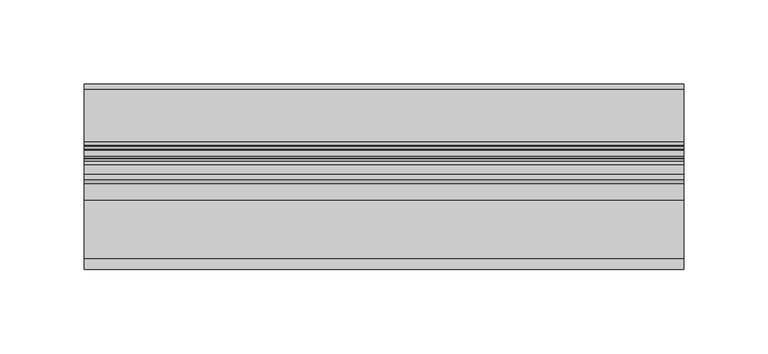
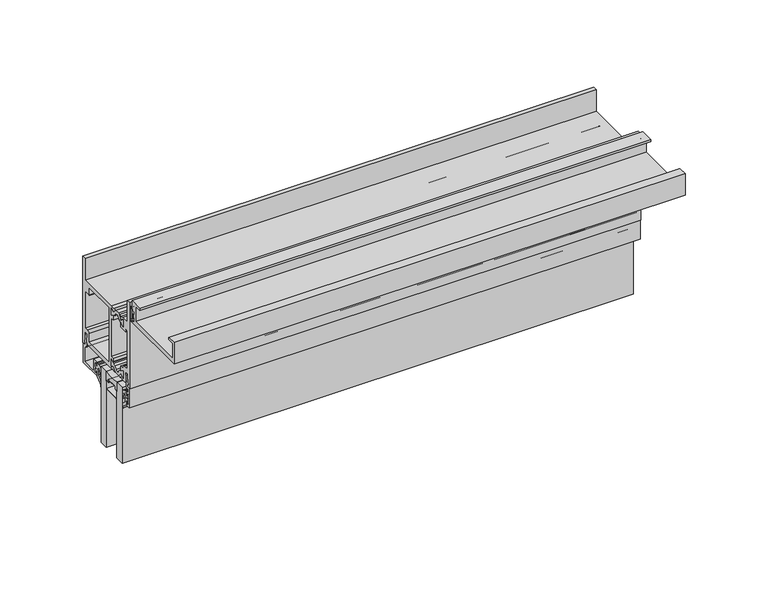
"""IFC4 building model written with IfcOpenShell, lengths in millimetres: plate geometry."""

from ifc_helpers import new_model, si_unit, point, frame, frame_2d, origin, place, context, project, spatial, polyline, circle_curve, trimmed, segment, composite_curve, outline, extrude, source, transform, mapped, element, save


def plate_1554f869(model_context):
    return source(origin(), model_context, "Body", "SweptSolid", [
        extrude(outline(composite_curve([segment(trimmed(circle_curve(frame_2d((-12.7, 252.348624)), 24.4943092), [point((-19.05, 228.6917289))], [point((-6.35, 228.6917289))], True, "CARTESIAN"), True, "CONTINUOUS"), segment(polyline([(-6.35, 228.6917289), (-6.35, 221.663957)]), True, "CONTINUOUS"), segment(trimmed(circle_curve(frame_2d((-7.14375, 221.663957)), 0.79375), [point((-6.35, 221.663957))], [point((-7.14375, 222.457707))], True, "CARTESIAN"), True, "CONTINUOUS"), segment(polyline([(-7.14375, 222.457707), (-8.3728775, 222.457707), (-8.3728775, 223.5556044)]), True, "CONTINUOUS"), segment(trimmed(circle_curve(frame_2d((-9.1666275, 223.5556044)), 0.79375), [point((-8.3728775, 223.5556044))], [point((-9.1666275, 224.3493544))], True, "CARTESIAN"), True, "CONTINUOUS"), segment(polyline([(-9.1666275, 224.3493544), (-16.2333725, 224.3493544)]), True, "CONTINUOUS"), segment(trimmed(circle_curve(frame_2d((-16.2333725, 223.5556044)), 0.79375), [point((-16.2333725, 224.3493544))], [point((-17.0271225, 223.5556044))], True, "CARTESIAN"), True, "CONTINUOUS"), segment(polyline([(-17.0271225, 223.5556044), (-17.0271225, 222.457707), (-18.25625, 222.457707)]), True, "CONTINUOUS"), segment(trimmed(circle_curve(frame_2d((-18.25625, 221.663957)), 0.79375), [point((-18.25625, 222.457707))], [point((-19.05, 221.663957))], True, "CARTESIAN"), True, "CONTINUOUS"), segment(polyline([(-19.05, 221.663957), (-19.05, 228.6917289)]), True, "CONTINUOUS")], self_intersect=False)), frame((-177.8, 0.0, 0.0), z_axis=(1.0, 0.0, 0.0), x_axis=(0.0, 1.0, 0.0)), (0.0, 0.0, 1.0), 355.6),
        extrude(outline(composite_curve([segment(trimmed(circle_curve(frame_2d((-23.1809622, 242.2374204)), 2.4892), [point((-24.4255622, 240.0817099))], [point((-23.5568194, 239.7767603))], True, "CARTESIAN"), True, "CONTINUOUS"), segment(trimmed(circle_curve(frame_2d((-23.9403472, 237.2658827)), 2.54), [point((-23.5568194, 239.7767603))], [point((-21.9860723, 238.8883529))], False, "CARTESIAN"), True, "CONTINUOUS"), segment(polyline([(-21.9860723, 238.8883529), (-20.6266866, 237.2509649)]), True, "CONTINUOUS"), segment(trimmed(circle_curve(frame_2d((-19.2977797, 238.3542447)), 1.7272), [point((-20.6266866, 237.2509649))], [point((-17.9688728, 237.2509649))], True, "CARTESIAN"), True, "CONTINUOUS"), segment(polyline([(-17.9688728, 237.2509649), (-16.6095134, 238.8883212)]), True, "CONTINUOUS"), segment(trimmed(circle_curve(frame_2d((-14.6552385, 237.2658509)), 2.54), [point((-16.6095134, 238.8883212))], [point((-15.0387663, 239.7767285))], False, "CARTESIAN"), True, "CONTINUOUS"), segment(trimmed(circle_curve(frame_2d((-15.4146236, 242.2373886)), 2.4892), [point((-15.0387663, 239.7767285))], [point((-14.1700236, 240.0816782))], True, "CARTESIAN"), True, "CONTINUOUS"), segment(polyline([(-14.1700236, 240.0816782), (-11.9953005, 241.3372551), (-11.9953005, 236.2412063), (-14.9359681, 237.8773974), (-17.566093, 234.7093966), (-21.029508, 234.7093966), (-23.6808354, 237.9029359), (-26.6003005, 235.8587044), (-26.6003005, 241.3372957), (-24.4255622, 240.0817099)]), True, "CONTINUOUS")], self_intersect=False)), frame((-177.8, 0.0, 0.0), z_axis=(1.0, 0.0, 0.0), x_axis=(0.0, 1.0, 0.0)), (0.0, 0.0, 1.0), 355.6),
        extrude(outline(composite_curve([segment(polyline([(-24.4255622, 275.1819988), (-26.6003005, 273.926413), (-26.6003005, 279.4050043), (-23.6808354, 277.3607728), (-21.029508, 280.5543121), (-17.566093, 280.5543121), (-14.9359681, 277.3863113), (-11.9953005, 279.0225024), (-11.9953005, 273.9264536), (-14.1700236, 275.1820305)]), True, "CONTINUOUS"), segment(trimmed(circle_curve(frame_2d((-15.4146236, 273.0263201)), 2.4892), [point((-14.1700236, 275.1820305))], [point((-15.0387663, 275.4869802))], True, "CARTESIAN"), True, "CONTINUOUS"), segment(trimmed(circle_curve(frame_2d((-14.6552385, 277.9978578)), 2.54), [point((-15.0387663, 275.4869802))], [point((-16.6095134, 276.3753875))], False, "CARTESIAN"), True, "CONTINUOUS"), segment(polyline([(-16.6095134, 276.3753875), (-17.9688728, 278.0127438)]), True, "CONTINUOUS"), segment(trimmed(circle_curve(frame_2d((-19.2977797, 276.909464)), 1.7272), [point((-17.9688728, 278.0127438))], [point((-20.6266866, 278.0127438))], True, "CARTESIAN"), True, "CONTINUOUS"), segment(polyline([(-20.6266866, 278.0127438), (-21.9860723, 276.3753558)]), True, "CONTINUOUS"), segment(trimmed(circle_curve(frame_2d((-23.9403472, 277.997826)), 2.54), [point((-21.9860723, 276.3753558))], [point((-23.5568194, 275.4869484))], False, "CARTESIAN"), True, "CONTINUOUS"), segment(trimmed(circle_curve(frame_2d((-23.1809622, 273.0262883)), 2.4892), [point((-23.5568194, 275.4869484))], [point((-24.4255622, 275.1819988))], True, "CARTESIAN"), True, "CONTINUOUS")], self_intersect=False)), frame((-177.8, 0.0, 0.0), z_axis=(1.0, 0.0, 0.0), x_axis=(0.0, 1.0, 0.0)), (0.0, 0.0, 1.0), 355.6),
        extrude(outline(composite_curve([segment(polyline([(-34.9514484, 293.1066499), (-34.9514484, 285.1817967)]), True, "CONTINUOUS"), segment(trimmed(circle_curve(frame_2d((-36.1452484, 285.1817967)), 1.1938), [point((-34.9514484, 285.1817967))], [point((-37.3390484, 285.1817967))], False, "CARTESIAN"), True, "CONTINUOUS"), segment(polyline([(-37.3390484, 285.1817967), (-37.3390484, 287.1879153), (-38.31675, 287.1879153), (-38.31675, 285.7147153), (-39.2186484, 285.7147153), (-39.2186484, 287.5689153), (-37.7962484, 287.5689153), (-37.7962484, 290.7185153), (-39.2186484, 290.7185153), (-39.2186484, 292.5727153), (-38.31675, 292.5727153), (-38.31675, 291.0995153), (-37.3390484, 291.0995153), (-37.3390484, 293.1066499)]), True, "CONTINUOUS"), segment(trimmed(circle_curve(frame_2d((-36.1452484, 293.1066499)), 1.1938), [point((-37.3390484, 293.1066499))], [point((-34.9514484, 293.1066499))], False, "CARTESIAN"), True, "CONTINUOUS")], self_intersect=False), holes=[composite_curve([segment(trimmed(circle_curve(frame_2d((-36.1452484, 293.1066499)), 0.6858), [point((-35.4594484, 293.1066499))], [point((-36.8310484, 293.1066499))], True, "CARTESIAN"), True, "CONTINUOUS"), segment(polyline([(-36.8310484, 293.1066499), (-36.8310484, 285.1817967)]), True, "CONTINUOUS"), segment(trimmed(circle_curve(frame_2d((-36.1452484, 285.1817967)), 0.6858), [point((-36.8310484, 285.1817967))], [point((-35.4594484, 285.1817967))], True, "CARTESIAN"), True, "CONTINUOUS"), segment(polyline([(-35.4594484, 285.1817967), (-35.4594484, 293.1066499)]), True, "CONTINUOUS")], self_intersect=False)]), frame((-177.8, 0.0, 0.0), z_axis=(1.0, 0.0, 0.0), x_axis=(0.0, 1.0, 0.0)), (0.0, 0.0, 1.0), 355.6),
        extrude(outline(polyline([(-177.8, -6.35), (-177.8, 0.0), (177.8, 0.0), (177.8, -6.35), (-177.8, -6.35)])), frame((0.0, 0.0, 172.6847153), z_axis=(0.0, 0.0, 1.0), x_axis=(1.0, 0.0, 0.0)), (0.0, 0.0, 1.0), 56.0070136),
        extrude(outline(polyline([(-177.8, -25.4), (-177.8, -19.05), (177.8, -19.05), (177.8, -25.4), (-177.8, -25.4)])), frame((0.0, 0.0, 172.6847153), z_axis=(0.0, 0.0, 1.0), x_axis=(1.0, 0.0, 0.0)), (0.0, 0.0, 1.0), 56.0070136),
        extrude(outline(composite_curve([segment(polyline([(1.2146236, 217.7547881), (3.6195019, 220.0298082), (3.6195019, 223.3964394)]), True, "CONTINUOUS"), segment(trimmed(circle_curve(frame_2d((3.9370017, 223.7514153)), 0.47625), [point((3.6195019, 223.3964394))], [point((3.619501, 224.1063905))], True, "CARTESIAN"), True, "CONTINUOUS"), segment(polyline([(3.619501, 224.1063905), (3.619501, 225.6894264)]), True, "CONTINUOUS"), segment(trimmed(circle_curve(frame_2d((3.1116463, 224.2840488)), 1.4943235), [point((3.619501, 225.6894264))], [point((1.6174209, 224.301171))], True, "CARTESIAN"), True, "CONTINUOUS"), segment(polyline([(1.6174209, 224.301171), (0.5798898, 220.9663861)]), True, "CONTINUOUS"), segment(trimmed(circle_curve(frame_2d((0.2963183, 221.0546119)), 0.2969791), [point((0.5798898, 220.9663861))], [point((0.0, 221.0348119))], False, "CARTESIAN"), True, "CONTINUOUS"), segment(polyline([(0.0, 221.0348119), (0.0, 225.0824819)]), True, "CONTINUOUS"), segment(trimmed(circle_curve(frame_2d((2.8819649, 225.2349635)), 2.8859959), [point((0.0, 225.0824819))], [point((2.7993723, 228.1197774))], False, "CARTESIAN"), True, "CONTINUOUS"), segment(polyline([(2.7993723, 228.1197774), (3.619501, 228.1432578), (4.7625003, 228.1432578), (4.7625003, 225.2246164), (6.1341013, 225.2246164), (6.1341013, 226.5374454)]), True, "CONTINUOUS"), segment(trimmed(circle_curve(frame_2d((6.4896997, 226.8248149)), 0.4571996), [point((6.1341013, 226.5374454))], [point((6.9468994, 226.8248149))], False, "CARTESIAN"), True, "CONTINUOUS"), segment(polyline([(6.9468994, 226.8248149), (6.9468994, 224.7570221)]), True, "CONTINUOUS"), segment(trimmed(circle_curve(frame_2d((6.4706494, 224.7065795)), 0.4789139), [point((6.9468994, 224.7570221))], [point((6.4706494, 224.2276656))], False, "CARTESIAN"), True, "CONTINUOUS"), segment(trimmed(circle_curve(frame_2d((6.4706494, 223.7514156)), 0.47625), [point((6.4706494, 224.2276656))], [point((6.4706494, 223.2751656))], True, "CARTESIAN"), True, "CONTINUOUS"), segment(trimmed(circle_curve(frame_2d((6.3248962, 222.6704806)), 0.6220032), [point((6.4706494, 223.2751656))], [point((6.9468994, 222.6704806))], False, "CARTESIAN"), True, "CONTINUOUS"), segment(polyline([(6.9468994, 222.6704806), (6.9468994, 220.6780162)]), True, "CONTINUOUS"), segment(trimmed(circle_curve(frame_2d((6.4896997, 220.6780162)), 0.4571996), [point((6.9468994, 220.6780162))], [point((6.134102, 220.9653866))], False, "CARTESIAN"), True, "CONTINUOUS"), segment(polyline([(6.134102, 220.9653866), (6.134102, 222.2782299), (4.7625003, 222.2782299), (4.7625003, 218.4065425), (1.4889495, 215.9053304)]), True, "CONTINUOUS"), segment(trimmed(circle_curve(frame_2d((3.0879023, 213.93243)), 2.5394854), [point((1.4889495, 215.9053304))], [point((0.5496136, 213.8544755))], True, "CARTESIAN"), True, "CONTINUOUS"), segment(trimmed(circle_curve(frame_2d((0.2748716, 213.8460377)), 0.2748716), [point((0.5496136, 213.8544755))], [point((0.0, 213.8460377))], False, "CARTESIAN"), True, "CONTINUOUS"), segment(polyline([(0.0, 213.8460377), (0.0, 215.5592614)]), True, "CONTINUOUS"), segment(trimmed(circle_curve(frame_2d((3.0412561, 215.3105023)), 3.0514128), [point((0.0, 215.5592614))], [point((1.2146236, 217.7547881))], False, "CARTESIAN"), True, "CONTINUOUS")], self_intersect=False)), frame((-177.8, 0.0, 0.0), z_axis=(1.0, 0.0, 0.0), x_axis=(0.0, 1.0, 0.0)), (0.0, 0.0, 1.0), 355.6),
        extrude(outline(composite_curve([segment(trimmed(circle_curve(frame_2d((-28.4412561, 215.3105023)), 3.0514128), [point((-26.6146236, 217.7547881))], [point((-25.4, 215.5592614))], False, "CARTESIAN"), True, "CONTINUOUS"), segment(polyline([(-25.4, 215.5592614), (-25.4, 213.8460377)]), True, "CONTINUOUS"), segment(trimmed(circle_curve(frame_2d((-25.6748716, 213.8460377)), 0.2748716), [point((-25.4, 213.8460377))], [point((-25.9496136, 213.8544755))], False, "CARTESIAN"), True, "CONTINUOUS"), segment(trimmed(circle_curve(frame_2d((-28.4879023, 213.93243)), 2.5394854), [point((-25.9496136, 213.8544755))], [point((-26.8889495, 215.9053304))], True, "CARTESIAN"), True, "CONTINUOUS"), segment(polyline([(-26.8889495, 215.9053304), (-30.1625003, 218.4065425), (-30.1625003, 222.2782299), (-31.534102, 222.2782299), (-31.534102, 220.9653866)]), True, "CONTINUOUS"), segment(trimmed(circle_curve(frame_2d((-31.8896997, 220.6780162)), 0.4571996), [point((-31.534102, 220.9653866))], [point((-32.3468994, 220.6780162))], False, "CARTESIAN"), True, "CONTINUOUS"), segment(polyline([(-32.3468994, 220.6780162), (-32.3468994, 222.6704806)]), True, "CONTINUOUS"), segment(trimmed(circle_curve(frame_2d((-31.7248962, 222.6704806)), 0.6220032), [point((-32.3468994, 222.6704806))], [point((-31.8706494, 223.2751656))], False, "CARTESIAN"), True, "CONTINUOUS"), segment(trimmed(circle_curve(frame_2d((-31.8706494, 223.7514156)), 0.47625), [point((-31.8706494, 223.2751656))], [point((-31.8706494, 224.2276656))], True, "CARTESIAN"), True, "CONTINUOUS"), segment(trimmed(circle_curve(frame_2d((-31.8706494, 224.7065795)), 0.4789139), [point((-31.8706494, 224.2276656))], [point((-32.3468994, 224.7570221))], False, "CARTESIAN"), True, "CONTINUOUS"), segment(polyline([(-32.3468994, 224.7570221), (-32.3468994, 226.8248149)]), True, "CONTINUOUS"), segment(trimmed(circle_curve(frame_2d((-31.8896997, 226.8248149)), 0.4571996), [point((-32.3468994, 226.8248149))], [point((-31.5341013, 226.5374454))], False, "CARTESIAN"), True, "CONTINUOUS"), segment(polyline([(-31.5341013, 226.5374454), (-31.5341013, 225.2246164), (-30.1625, 225.2246164), (-30.1625, 228.1432578), (-29.019501, 228.1432578), (-28.1993723, 228.1197774)]), True, "CONTINUOUS"), segment(trimmed(circle_curve(frame_2d((-28.2819649, 225.2349635)), 2.8859959), [point((-28.1993723, 228.1197774))], [point((-25.4, 225.0824819))], False, "CARTESIAN"), True, "CONTINUOUS"), segment(polyline([(-25.4, 225.0824819), (-25.4, 221.0348119)]), True, "CONTINUOUS"), segment(trimmed(circle_curve(frame_2d((-25.6963183, 221.0546119)), 0.2969791), [point((-25.4, 221.0348119))], [point((-25.9798898, 220.9663861))], False, "CARTESIAN"), True, "CONTINUOUS"), segment(polyline([(-25.9798898, 220.9663861), (-27.0174209, 224.301171)]), True, "CONTINUOUS"), segment(trimmed(circle_curve(frame_2d((-28.5116463, 224.2840488)), 1.4943235), [point((-27.0174209, 224.301171))], [point((-29.019501, 225.6894264))], True, "CARTESIAN"), True, "CONTINUOUS"), segment(polyline([(-29.019501, 225.6894264), (-29.019501, 224.1063905)]), True, "CONTINUOUS"), segment(trimmed(circle_curve(frame_2d((-29.3370017, 223.7514153)), 0.47625), [point((-29.019501, 224.1063905))], [point((-29.0195019, 223.3964394))], True, "CARTESIAN"), True, "CONTINUOUS"), segment(polyline([(-29.0195019, 223.3964394), (-29.0195019, 220.0298082), (-26.6146236, 217.7547881)]), True, "CONTINUOUS")], self_intersect=False)), frame((-177.8, 0.0, 0.0), z_axis=(1.0, 0.0, 0.0), x_axis=(0.0, 1.0, 0.0)), (0.0, 0.0, 1.0), 355.6),
        extrude(outline(composite_curve([segment(trimmed(circle_curve(frame_2d((19.0500001, 234.7414348)), 1.4732), [point((17.5768001, 234.7414348))], [point((18.2080195, 235.9503131))], False, "CARTESIAN"), True, "CONTINUOUS"), segment(polyline([(18.2080195, 235.9503131), (17.0960031, 242.0744148), (18.4105948, 242.0744148), (19.7607074, 234.6405968), (18.9879884, 234.7500377), (18.9879884, 233.0353133), (21.4376001, 232.9050148), (21.4376001, 218.6302148), (4.9022001, 218.6302148), (4.7752001, 220.6622148)]), True, "CONTINUOUS"), segment(trimmed(circle_curve(frame_2d((5.5881395, 220.6621578)), 0.8129393), [point((4.7752001, 220.6622148))], [point((5.7899301, 221.4496544))], False, "CARTESIAN"), True, "CONTINUOUS"), segment(polyline([(5.7899301, 221.4496544), (5.7899301, 219.9002148), (7.1628001, 219.9002148), (7.1628001, 227.3932148), (5.7899301, 227.3932148), (5.7899301, 225.8437751)]), True, "CONTINUOUS"), segment(trimmed(circle_curve(frame_2d((5.5881398, 226.6312721)), 0.8129397), [point((5.7899301, 225.8437751))], [point((4.7752001, 226.6312721))], False, "CARTESIAN"), True, "CONTINUOUS"), segment(polyline([(4.7752001, 226.6312721), (4.7752001, 228.6632148), (8.7376001, 228.6632148), (8.7376001, 220.1034148), (19.9644001, 220.1034148), (19.9644001, 231.5588148), (19.0500001, 231.5588148)]), True, "CONTINUOUS"), segment(trimmed(circle_curve(frame_2d((19.0500001, 233.0320148)), 1.4732), [point((19.0500001, 231.5588148))], [point((17.5768001, 233.0320148))], False, "CARTESIAN"), True, "CONTINUOUS"), segment(polyline([(17.5768001, 233.0320148), (17.5768001, 234.7414348)]), True, "CONTINUOUS")], self_intersect=False)), frame((-177.8, 0.0, 0.0), z_axis=(1.0, 0.0, 0.0), x_axis=(0.0, 1.0, 0.0)), (0.0, 0.0, 1.0), 355.6),
        extrude(outline(composite_curve([segment(polyline([(-8.3728775, 223.5556044), (-8.3728775, 222.457707), (-7.14375, 222.457707)]), True, "CONTINUOUS"), segment(trimmed(circle_curve(frame_2d((-7.14375, 221.663957)), 0.79375), [point((-7.14375, 222.457707))], [point((-6.35, 221.663957))], False, "CARTESIAN"), True, "CONTINUOUS"), segment(polyline([(-6.35, 221.663957), (-6.35, 216.7854789)]), True, "CONTINUOUS"), segment(trimmed(circle_curve(frame_2d((-7.14375, 216.7854789)), 0.79375), [point((-6.35, 216.7854789))], [point((-7.14375, 215.9917289))], False, "CARTESIAN"), True, "CONTINUOUS"), segment(polyline([(-7.14375, 215.9917289), (-18.25625, 215.9917289)]), True, "CONTINUOUS"), segment(trimmed(circle_curve(frame_2d((-18.25625, 216.7854789)), 0.79375), [point((-18.25625, 215.9917289))], [point((-19.05, 216.7854789))], False, "CARTESIAN"), True, "CONTINUOUS"), segment(polyline([(-19.05, 216.7854789), (-19.05, 221.663957)]), True, "CONTINUOUS"), segment(trimmed(circle_curve(frame_2d((-18.25625, 221.663957)), 0.79375), [point((-19.05, 221.663957))], [point((-18.25625, 222.457707))], False, "CARTESIAN"), True, "CONTINUOUS"), segment(polyline([(-18.25625, 222.457707), (-17.0271225, 222.457707), (-17.0271225, 223.5556044)]), True, "CONTINUOUS"), segment(trimmed(circle_curve(frame_2d((-16.2333725, 223.5556044)), 0.79375), [point((-17.0271225, 223.5556044))], [point((-16.2333725, 224.3493544))], False, "CARTESIAN"), True, "CONTINUOUS"), segment(polyline([(-16.2333725, 224.3493544), (-9.1666275, 224.3493544)]), True, "CONTINUOUS"), segment(trimmed(circle_curve(frame_2d((-9.1666275, 223.5556044)), 0.79375), [point((-9.1666275, 224.3493544))], [point((-8.3728775, 223.5556044))], False, "CARTESIAN"), True, "CONTINUOUS")], self_intersect=False), holes=[composite_curve([segment(polyline([(-16.5191225, 223.8413544), (-16.5191225, 222.743457)]), True, "CONTINUOUS"), segment(trimmed(circle_curve(frame_2d((-17.3128725, 222.743457)), 0.79375), [point((-16.5191225, 222.743457))], [point((-17.3128725, 221.949707))], False, "CARTESIAN"), True, "CONTINUOUS"), segment(polyline([(-17.3128725, 221.949707), (-18.542, 221.949707), (-18.542, 216.4997289), (-6.858, 216.4997289), (-6.858, 221.949707), (-8.0871275, 221.949707)]), True, "CONTINUOUS"), segment(trimmed(circle_curve(frame_2d((-8.0871275, 222.743457)), 0.79375), [point((-8.0871275, 221.949707))], [point((-8.8808775, 222.743457))], False, "CARTESIAN"), True, "CONTINUOUS"), segment(polyline([(-8.8808775, 222.743457), (-8.8808775, 223.8413544), (-16.5191225, 223.8413544)]), True, "CONTINUOUS")], self_intersect=False)]), frame((-177.8, 0.0, 0.0), z_axis=(1.0, 0.0, 0.0), x_axis=(0.0, 1.0, 0.0)), (0.0, 0.0, 1.0), 355.6),
        extrude(outline(composite_curve([segment(polyline([(-34.1276564, 218.7349153), (-34.0673249, 232.9997986), (-31.6471876, 232.9997986), (-31.6471876, 234.631996), (-32.4372227, 234.5209638), (-31.0981976, 241.9539199), (-29.8175355, 241.8307794), (-30.9128526, 235.7506519)]), True, "CONTINUOUS"), segment(trimmed(circle_curve(frame_2d((-31.7464064, 234.5359477)), 1.4732), [point((-30.9128526, 235.7506519))], [point((-30.2732064, 234.5359477))], False, "CARTESIAN"), True, "CONTINUOUS"), segment(polyline([(-30.2732064, 234.5359477), (-30.2732064, 233.0224153)]), True, "CONTINUOUS"), segment(trimmed(circle_curve(frame_2d((-31.7464064, 233.0224153)), 1.4732), [point((-30.2732064, 233.0224153))], [point((-31.7464064, 231.5492153))], False, "CARTESIAN"), True, "CONTINUOUS"), segment(polyline([(-31.7464064, 231.5492153), (-32.6544564, 231.5492153), (-32.6544564, 228.7679153), (-30.1589064, 228.7679153), (-30.1589064, 226.7486153)]), True, "CONTINUOUS"), segment(trimmed(circle_curve(frame_2d((-30.9717064, 226.7486153)), 0.8128), [point((-30.1589064, 226.7486153))], [point((-31.1749064, 225.9616251))], False, "CARTESIAN"), True, "CONTINUOUS"), segment(polyline([(-31.1749064, 225.9616251), (-31.1749064, 227.4979153), (-32.5401564, 227.4979153), (-32.5401564, 220.0049153), (-31.1749064, 220.0049153), (-31.1749064, 221.5666055)]), True, "CONTINUOUS"), segment(trimmed(circle_curve(frame_2d((-30.9717064, 220.7796153)), 0.8128), [point((-31.1749064, 221.5666055))], [point((-30.1589064, 220.7796153))], False, "CARTESIAN"), True, "CONTINUOUS"), segment(polyline([(-30.1589064, 220.7796153), (-30.2859064, 218.7349153), (-34.1276564, 218.7349153)]), True, "CONTINUOUS")], self_intersect=False)), frame((-177.8, 0.0, 0.0), z_axis=(1.0, 0.0, 0.0), x_axis=(0.0, 1.0, 0.0)), (0.0, 0.0, 1.0), 355.6),
        extrude(outline(composite_curve([segment(trimmed(circle_curve(frame_2d((19.0500001, 234.7414348)), 1.4732), [point((17.5768001, 234.7414348))], [point((18.2080195, 235.9503131))], False, "CARTESIAN"), True, "CONTINUOUS"), segment(polyline([(18.2080195, 235.9503131), (17.0960031, 242.0744148), (18.4105948, 242.0744148), (19.7607074, 234.6405968), (18.9879884, 234.7500377), (18.9879884, 233.0353133), (21.4376001, 232.9050148), (21.4376001, 218.6302148), (4.9022001, 218.6302148), (4.7752001, 220.6622148)]), True, "CONTINUOUS"), segment(trimmed(circle_curve(frame_2d((5.5881395, 220.6621578)), 0.8129393), [point((4.7752001, 220.6622148))], [point((5.7899301, 221.4496544))], False, "CARTESIAN"), True, "CONTINUOUS"), segment(polyline([(5.7899301, 221.4496544), (5.7899301, 219.9002148), (7.1628001, 219.9002148), (7.1628001, 227.3932148), (5.7899301, 227.3932148), (5.7899301, 225.8437751)]), True, "CONTINUOUS"), segment(trimmed(circle_curve(frame_2d((5.5881398, 226.6312721)), 0.8129397), [point((5.7899301, 225.8437751))], [point((4.7752001, 226.6312721))], False, "CARTESIAN"), True, "CONTINUOUS"), segment(polyline([(4.7752001, 226.6312721), (4.7752001, 228.6632148), (8.7376001, 228.6632148), (8.7376001, 220.1034148), (19.9644001, 220.1034148), (19.9644001, 231.5588148), (19.0500001, 231.5588148)]), True, "CONTINUOUS"), segment(trimmed(circle_curve(frame_2d((19.0500001, 233.0320148)), 1.4732), [point((19.0500001, 231.5588148))], [point((17.5768001, 233.0320148))], False, "CARTESIAN"), True, "CONTINUOUS"), segment(polyline([(17.5768001, 233.0320148), (17.5768001, 234.7414348)]), True, "CONTINUOUS")], self_intersect=False)), frame((-177.8, 0.0, 0.0), z_axis=(1.0, 0.0, 0.0), x_axis=(0.0, 1.0, 0.0)), (0.0, 0.0, 1.0), 355.6),
        extrude(outline(composite_curve([segment(trimmed(circle_curve(frame_2d((-37.73499, 291.8615153)), 0.4318), [point((-37.30319, 291.8615153))], [point((-38.1346289, 292.0250391))], False, "CARTESIAN"), True, "CONTINUOUS"), segment(trimmed(circle_curve(frame_2d((-38.7116898, 292.2611602)), 0.6235002), [point((-38.1346289, 292.0250391))], [point((-39.33519, 292.2611602))], True, "CARTESIAN"), True, "CONTINUOUS"), segment(polyline([(-39.33519, 292.2611602), (-39.33519, 285.9687153)]), True, "CONTINUOUS"), segment(trimmed(circle_curve(frame_2d((-38.7222466, 286.0627884)), 0.6201205), [point((-39.33519, 285.9687153))], [point((-38.1402463, 286.2768563))], True, "CARTESIAN"), True, "CONTINUOUS"), segment(trimmed(circle_curve(frame_2d((-37.73499, 286.4259153)), 0.4318), [point((-38.1402463, 286.2768563))], [point((-37.30319, 286.4259153))], False, "CARTESIAN"), True, "CONTINUOUS"), segment(polyline([(-37.30319, 286.4259153), (-37.30319, 284.5971153)]), True, "CONTINUOUS"), segment(trimmed(circle_curve(frame_2d((-38.09059, 284.5971153)), 0.7874), [point((-37.30319, 284.5971153))], [point((-38.09059, 283.8097153))], False, "CARTESIAN"), True, "CONTINUOUS"), segment(polyline([(-38.09059, 283.8097153), (-88.1032275, 283.8097153), (-88.1032275, 299.6847153), (-81.7532275, 299.5739713), (-81.7532275, 298.1099153), (-86.5284275, 298.1099153), (-86.5284275, 286.9847153), (-41.5196275, 286.9847153), (-41.5196275, 298.1099153), (-46.8282275, 298.1099153), (-46.8282275, 299.5183453), (-37.30319, 299.6847153), (-37.30319, 291.8615153)]), True, "CONTINUOUS")], self_intersect=False)), frame((-177.8, 0.0, 0.0), z_axis=(1.0, 0.0, 0.0), x_axis=(0.0, 1.0, 0.0)), (0.0, 0.0, 1.0), 355.6),
        extrude(outline(composite_curve([segment(polyline([(19.0500001, 280.6474153), (19.0500001, 296.5224153), (21.8948001, 296.5224153), (21.8948001, 233.0224153), (19.0500001, 233.0224153), (19.0500001, 234.2924153), (19.862795, 234.2924153), (19.4499993, 242.5220153), (17.0688001, 242.5220153), (17.0688001, 236.1910934)]), True, "CONTINUOUS"), segment(trimmed(circle_curve(frame_2d((15.4940001, 236.1910934)), 1.5748), [point((17.0688001, 236.1910934))], [point((15.4940001, 234.6162934))], False, "CARTESIAN"), True, "CONTINUOUS"), segment(polyline([(15.4940001, 234.6162934), (-12.4616861, 234.6162934), (-14.6792966, 235.2105003), (-15.283713, 234.707152)]), True, "CONTINUOUS"), segment(trimmed(circle_curve(frame_2d((-15.8690069, 235.287496)), 0.8242378), [point((-15.283713, 234.707152))], [point((-16.5466491, 235.7567177))], False, "CARTESIAN"), True, "CONTINUOUS"), segment(polyline([(-16.5466491, 235.7567177), (-15.8444381, 236.7708392), (-14.1842071, 237.500107), (-12.9464135, 236.3561103)]), True, "CONTINUOUS"), segment(trimmed(circle_curve(frame_2d((-12.3966681, 236.5800475)), 0.5936058), [point((-12.9464135, 236.3561103))], [point((-11.8030624, 236.5800475))], True, "CARTESIAN"), True, "CONTINUOUS"), segment(polyline([(-11.8030624, 236.5800475), (-11.8030624, 241.6113576), (-14.8259799, 241.1722604), (-14.8259799, 243.3199966), (-12.4078999, 243.3199966), (-12.4078999, 271.9437121), (-14.8259799, 271.9437121), (-14.8259799, 274.8939851), (-12.0014999, 274.4837121), (-12.0014999, 278.6836612)]), True, "CONTINUOUS"), segment(trimmed(circle_curve(frame_2d((-12.5951057, 278.6836612)), 0.5936058), [point((-12.0014999, 278.6836612))], [point((-13.1887114, 278.6836612))], True, "CARTESIAN"), True, "CONTINUOUS"), segment(polyline([(-13.1887114, 278.6836612), (-14.1842071, 277.7636016), (-15.8444381, 278.4928695), (-16.5466491, 279.506991)]), True, "CONTINUOUS"), segment(trimmed(circle_curve(frame_2d((-15.8690069, 279.9762127)), 0.8242378), [point((-16.5466491, 279.506991))], [point((-15.283713, 280.5565566))], False, "CARTESIAN"), True, "CONTINUOUS"), segment(polyline([(-15.283713, 280.5565566), (-14.6792966, 280.0532084), (-12.4616861, 280.6474153), (19.0500001, 280.6474153)]), True, "CONTINUOUS")], self_intersect=False), holes=[composite_curve([segment(trimmed(circle_curve(frame_2d((15.0876001, 272.7311121)), 0.7874), [point((15.0876001, 271.9437121))], [point((14.3002001, 272.7311121))], False, "CARTESIAN"), True, "CONTINUOUS"), segment(polyline([(14.3002001, 272.7311121), (14.3002001, 277.4724153), (-9.2328999, 277.4724153), (-9.2328999, 237.7912934), (14.3002001, 237.7912934), (14.3002001, 244.1222153)]), True, "CONTINUOUS"), segment(trimmed(circle_curve(frame_2d((15.8750001, 244.1222153)), 1.5748), [point((14.3002001, 244.1222153))], [point((15.8750001, 245.6970153))], False, "CARTESIAN"), True, "CONTINUOUS"), segment(polyline([(15.8750001, 245.6970153), (18.7198001, 245.6970153), (18.7198001, 271.9437121), (15.0876001, 271.9437121)]), True, "CONTINUOUS")], self_intersect=False)]), frame((-177.8, 0.0, 0.0), z_axis=(1.0, 0.0, 0.0), x_axis=(0.0, 1.0, 0.0)), (0.0, 0.0, 1.0), 355.6),
        extrude(outline(composite_curve([segment(polyline([(-23.7820199, 239.8550278), (-26.6064999, 241.4857421), (-26.6064999, 236.5918521)]), True, "CONTINUOUS"), segment(trimmed(circle_curve(frame_2d((-26.0984998, 236.5918521)), 0.508), [point((-26.6064999, 236.5918521))], [point((-26.0926066, 236.0838862))], True, "CARTESIAN"), True, "CONTINUOUS"), segment(polyline([(-26.0926066, 236.0838862), (-24.4021052, 237.5023853), (-22.7635618, 236.7826438), (-21.9926524, 235.6693093), (-21.9926524, 234.6280979), (-23.1924006, 234.6280979), (-23.8073259, 235.2430233), (-26.146241, 234.6163129), (-28.1861634, 234.6163129)]), True, "CONTINUOUS"), segment(trimmed(circle_curve(frame_2d((-28.1939999, 236.1910934)), 1.5748), [point((-28.1861634, 234.6163129))], [point((-29.7687999, 236.1910934))], False, "CARTESIAN"), True, "CONTINUOUS"), segment(polyline([(-29.7687999, 236.1910934), (-29.7687999, 242.5220153), (-32.1499991, 242.5220153), (-32.5627999, 234.2924153), (-31.7499999, 234.2924153), (-31.7499999, 233.0224153), (-34.5947999, 233.0224153), (-34.5947999, 296.5224153), (-31.7499999, 296.5224153), (-31.7499999, 280.6474153), (-26.1463137, 280.6474153), (-23.9287032, 280.0532084), (-22.4438438, 280.6474153), (-21.9101175, 279.7229743), (-22.7675508, 278.4984326), (-24.238078, 277.7465668), (-26.6064998, 279.4049536), (-26.6064998, 273.7897712), (-23.7820198, 275.4204855), (-23.7820198, 271.9437121), (-29.7698572, 271.9437121), (-29.7698572, 273.4424337)]), True, "CONTINUOUS"), segment(trimmed(circle_curve(frame_2d((-30.5958838, 273.4424337)), 0.8260266), [point((-29.7698572, 273.4424337))], [point((-31.4219104, 273.4424337))], True, "CARTESIAN"), True, "CONTINUOUS"), segment(polyline([(-31.4219104, 273.4424337), (-31.4219104, 245.6970153), (-28.1685999, 245.6970153)]), True, "CONTINUOUS"), segment(trimmed(circle_curve(frame_2d((-28.1685999, 244.1222153)), 1.5748), [point((-28.1685999, 245.6970153))], [point((-26.8134467, 243.3199966))], False, "CARTESIAN"), True, "CONTINUOUS"), segment(polyline([(-26.8134467, 243.3199966), (-23.7820199, 243.3199966), (-23.7820199, 239.8550278)]), True, "CONTINUOUS")], self_intersect=False)), frame((-177.8, 0.0, 0.0), z_axis=(1.0, 0.0, 0.0), x_axis=(0.0, 1.0, 0.0)), (0.0, 0.0, 1.0), 355.6),
        extrude(outline(composite_curve([segment(trimmed(circle_curve(frame_2d((-23.1809622, 242.2374204)), 2.4892), [point((-24.4255622, 240.0817099))], [point((-23.5568194, 239.7767603))], True, "CARTESIAN"), True, "CONTINUOUS"), segment(trimmed(circle_curve(frame_2d((-23.9403472, 237.2658827)), 2.54), [point((-23.5568194, 239.7767603))], [point((-21.9860723, 238.8883529))], False, "CARTESIAN"), True, "CONTINUOUS"), segment(polyline([(-21.9860723, 238.8883529), (-20.6266866, 237.2509649)]), True, "CONTINUOUS"), segment(trimmed(circle_curve(frame_2d((-19.2977797, 238.3542447)), 1.7272), [point((-20.6266866, 237.2509649))], [point((-17.9688728, 237.2509649))], True, "CARTESIAN"), True, "CONTINUOUS"), segment(polyline([(-17.9688728, 237.2509649), (-16.6095134, 238.8883212)]), True, "CONTINUOUS"), segment(trimmed(circle_curve(frame_2d((-14.6552385, 237.2658509)), 2.54), [point((-16.6095134, 238.8883212))], [point((-15.0387663, 239.7767285))], False, "CARTESIAN"), True, "CONTINUOUS"), segment(trimmed(circle_curve(frame_2d((-15.4146236, 242.2373886)), 2.4892), [point((-15.0387663, 239.7767285))], [point((-14.1700236, 240.0816782))], True, "CARTESIAN"), True, "CONTINUOUS"), segment(polyline([(-14.1700236, 240.0816782), (-11.9953005, 241.3372551), (-11.9953005, 236.2412063), (-14.9359681, 237.8773974), (-17.566093, 234.7093966), (-21.029508, 234.7093966), (-23.6808354, 237.9029359), (-26.6003005, 235.8587044), (-26.6003005, 241.3372957), (-24.4255622, 240.0817099)]), True, "CONTINUOUS")], self_intersect=False)), frame((-177.8, 0.0, 0.0), z_axis=(1.0, 0.0, 0.0), x_axis=(0.0, 1.0, 0.0)), (0.0, 0.0, 1.0), 355.6),
        extrude(outline(composite_curve([segment(polyline([(-24.4237926, 275.0952127), (-26.6064999, 273.8807516), (-26.6064999, 278.9273785), (-23.6747435, 277.2347282), (-21.0357074, 280.4134626), (-17.5722923, 280.4134626), (-14.9421674, 277.2454618), (-12.1999374, 278.771242), (-12.1999374, 274.3678166), (-14.1197627, 275.2068338)]), True, "CONTINUOUS"), segment(trimmed(circle_curve(frame_2d((-15.3643627, 273.0511234)), 2.4892), [point((-14.1197627, 275.2068338))], [point((-14.9885054, 275.5117834))], True, "CARTESIAN"), True, "CONTINUOUS"), segment(trimmed(circle_curve(frame_2d((-14.6049777, 278.0226611)), 2.54), [point((-14.9885054, 275.5117834))], [point((-16.5592525, 276.4001908))], False, "CARTESIAN"), True, "CONTINUOUS"), segment(polyline([(-16.5592525, 276.4001908), (-17.8965359, 278.0109564)]), True, "CONTINUOUS"), segment(trimmed(circle_curve(frame_2d((-19.2254428, 276.9076766)), 1.7272), [point((-17.8965359, 278.0109564))], [point((-20.5543497, 278.0109564))], True, "CARTESIAN"), True, "CONTINUOUS"), segment(polyline([(-20.5543497, 278.0109564), (-21.9843027, 276.2885697)]), True, "CONTINUOUS"), segment(trimmed(circle_curve(frame_2d((-23.9385776, 277.91104)), 2.54), [point((-21.9843027, 276.2885697))], [point((-23.5550498, 275.4001623))], False, "CARTESIAN"), True, "CONTINUOUS"), segment(trimmed(circle_curve(frame_2d((-23.1791926, 272.9395023)), 2.4892), [point((-23.5550498, 275.4001623))], [point((-24.4237926, 275.0952127))], True, "CARTESIAN"), True, "CONTINUOUS")], self_intersect=False)), frame((-177.8, 0.0, 0.0), z_axis=(1.0, 0.0, 0.0), x_axis=(0.0, 1.0, 0.0)), (0.0, 0.0, 1.0), 355.6),
        extrude(outline(composite_curve([segment(polyline([(19.0500001, 280.6474153), (19.0500001, 296.5224153), (21.8948001, 296.5224153), (21.8948001, 233.0224153), (19.0500001, 233.0224153), (19.0500001, 234.2924153), (19.862795, 234.2924153), (19.4499993, 242.5220153), (17.0688001, 242.5220153), (17.0688001, 236.1910934)]), True, "CONTINUOUS"), segment(trimmed(circle_curve(frame_2d((15.4940001, 236.1910934)), 1.5748), [point((17.0688001, 236.1910934))], [point((15.4940001, 234.6162934))], False, "CARTESIAN"), True, "CONTINUOUS"), segment(polyline([(15.4940001, 234.6162934), (-12.4616861, 234.6162934), (-14.6792966, 235.2105003), (-15.283713, 234.707152)]), True, "CONTINUOUS"), segment(trimmed(circle_curve(frame_2d((-15.8690069, 235.287496)), 0.8242378), [point((-15.283713, 234.707152))], [point((-16.5466491, 235.7567177))], False, "CARTESIAN"), True, "CONTINUOUS"), segment(polyline([(-16.5466491, 235.7567177), (-15.8444381, 236.7708392), (-14.1842071, 237.500107), (-12.9464135, 236.3561103)]), True, "CONTINUOUS"), segment(trimmed(circle_curve(frame_2d((-12.3966681, 236.5800475)), 0.5936058), [point((-12.9464135, 236.3561103))], [point((-11.8030624, 236.5800475))], True, "CARTESIAN"), True, "CONTINUOUS"), segment(polyline([(-11.8030624, 236.5800475), (-11.8030624, 241.6113576), (-14.8259799, 241.1722604), (-14.8259799, 243.3199966), (-12.4078999, 243.3199966), (-12.4078999, 271.9437121), (-14.8259799, 271.9437121), (-14.8259799, 274.8939851), (-12.0014999, 274.4837121), (-12.0014999, 278.6836612)]), True, "CONTINUOUS"), segment(trimmed(circle_curve(frame_2d((-12.5951057, 278.6836612)), 0.5936058), [point((-12.0014999, 278.6836612))], [point((-13.1887114, 278.6836612))], True, "CARTESIAN"), True, "CONTINUOUS"), segment(polyline([(-13.1887114, 278.6836612), (-14.1842071, 277.7636016), (-15.8444381, 278.4928695), (-16.5466491, 279.506991)]), True, "CONTINUOUS"), segment(trimmed(circle_curve(frame_2d((-15.8690069, 279.9762127)), 0.8242378), [point((-16.5466491, 279.506991))], [point((-15.283713, 280.5565566))], False, "CARTESIAN"), True, "CONTINUOUS"), segment(polyline([(-15.283713, 280.5565566), (-14.6792966, 280.0532084), (-12.4616861, 280.6474153), (19.0500001, 280.6474153)]), True, "CONTINUOUS")], self_intersect=False), holes=[composite_curve([segment(trimmed(circle_curve(frame_2d((15.0876001, 272.7311121)), 0.7874), [point((15.0876001, 271.9437121))], [point((14.3002001, 272.7311121))], False, "CARTESIAN"), True, "CONTINUOUS"), segment(polyline([(14.3002001, 272.7311121), (14.3002001, 277.4724153), (-9.2328999, 277.4724153), (-9.2328999, 237.7912934), (14.3002001, 237.7912934), (14.3002001, 244.1222153)]), True, "CONTINUOUS"), segment(trimmed(circle_curve(frame_2d((15.8750001, 244.1222153)), 1.5748), [point((14.3002001, 244.1222153))], [point((15.8750001, 245.6970153))], False, "CARTESIAN"), True, "CONTINUOUS"), segment(polyline([(15.8750001, 245.6970153), (18.7198001, 245.6970153), (18.7198001, 271.9437121), (15.0876001, 271.9437121)]), True, "CONTINUOUS")], self_intersect=False)]), frame((-177.8, 0.0, 0.0), z_axis=(1.0, 0.0, 0.0), x_axis=(0.0, 1.0, 0.0)), (0.0, 0.0, 1.0), 355.6),
        extrude(outline(composite_curve([segment(polyline([(-23.7820199, 239.8550278), (-26.6064999, 241.4857421), (-26.6064999, 236.5918521)]), True, "CONTINUOUS"), segment(trimmed(circle_curve(frame_2d((-26.0984998, 236.5918521)), 0.508), [point((-26.6064999, 236.5918521))], [point((-26.0926066, 236.0838862))], True, "CARTESIAN"), True, "CONTINUOUS"), segment(polyline([(-26.0926066, 236.0838862), (-24.4021052, 237.5023853), (-22.7635618, 236.7826438), (-21.9926524, 235.6693093), (-21.9926524, 234.6280979), (-23.1924006, 234.6280979), (-23.8073259, 235.2430233), (-26.146241, 234.6163129), (-28.1861634, 234.6163129)]), True, "CONTINUOUS"), segment(trimmed(circle_curve(frame_2d((-28.1939999, 236.1910934)), 1.5748), [point((-28.1861634, 234.6163129))], [point((-29.7687999, 236.1910934))], False, "CARTESIAN"), True, "CONTINUOUS"), segment(polyline([(-29.7687999, 236.1910934), (-29.7687999, 242.5220153), (-32.1499991, 242.5220153), (-32.5627999, 234.2924153), (-31.7499999, 234.2924153), (-31.7499999, 233.0224153), (-34.5947999, 233.0224153), (-34.5947999, 296.5224153), (-31.7499999, 296.5224153), (-31.7499999, 280.6474153), (-26.1463137, 280.6474153), (-23.9287032, 280.0532084), (-22.4438438, 280.6474153), (-21.9101175, 279.7229743), (-22.7675508, 278.4984326), (-24.238078, 277.7465668), (-26.6064998, 279.4049536), (-26.6064998, 273.7897712), (-23.7820198, 275.4204855), (-23.7820198, 271.9437121), (-29.7698572, 271.9437121), (-29.7698572, 273.4424337)]), True, "CONTINUOUS"), segment(trimmed(circle_curve(frame_2d((-30.5958838, 273.4424337)), 0.8260266), [point((-29.7698572, 273.4424337))], [point((-31.4219104, 273.4424337))], True, "CARTESIAN"), True, "CONTINUOUS"), segment(polyline([(-31.4219104, 273.4424337), (-31.4219104, 245.6970153), (-28.1685999, 245.6970153)]), True, "CONTINUOUS"), segment(trimmed(circle_curve(frame_2d((-28.1685999, 244.1222153)), 1.5748), [point((-28.1685999, 245.6970153))], [point((-26.8134467, 243.3199966))], False, "CARTESIAN"), True, "CONTINUOUS"), segment(polyline([(-26.8134467, 243.3199966), (-23.7820199, 243.3199966), (-23.7820199, 239.8550278)]), True, "CONTINUOUS")], self_intersect=False)), frame((-177.8, 0.0, 0.0), z_axis=(1.0, 0.0, 0.0), x_axis=(0.0, 1.0, 0.0)), (0.0, 0.0, 1.0), 355.6),
        extrude(outline(composite_curve([segment(polyline([(19.0500001, 280.6474153), (19.0500001, 296.5224153), (21.8948001, 296.5224153), (21.8948001, 233.0224153), (19.0500001, 233.0224153), (19.0500001, 234.2924153), (19.862795, 234.2924153), (19.4499993, 242.5220153), (17.0688001, 242.5220153), (17.0688001, 236.1910934)]), True, "CONTINUOUS"), segment(trimmed(circle_curve(frame_2d((15.4940001, 236.1910934)), 1.5748), [point((17.0688001, 236.1910934))], [point((15.4940001, 234.6162934))], False, "CARTESIAN"), True, "CONTINUOUS"), segment(polyline([(15.4940001, 234.6162934), (-12.4616861, 234.6162934), (-14.6792966, 235.2105003), (-15.283713, 234.707152)]), True, "CONTINUOUS"), segment(trimmed(circle_curve(frame_2d((-15.8690069, 235.287496)), 0.8242378), [point((-15.283713, 234.707152))], [point((-16.5466491, 235.7567177))], False, "CARTESIAN"), True, "CONTINUOUS"), segment(polyline([(-16.5466491, 235.7567177), (-15.8444381, 236.7708392), (-14.1842071, 237.500107), (-12.9464135, 236.3561103)]), True, "CONTINUOUS"), segment(trimmed(circle_curve(frame_2d((-12.3966681, 236.5800475)), 0.5936058), [point((-12.9464135, 236.3561103))], [point((-11.8030624, 236.5800475))], True, "CARTESIAN"), True, "CONTINUOUS"), segment(polyline([(-11.8030624, 236.5800475), (-11.8030624, 241.6113576), (-14.8259799, 241.1722604), (-14.8259799, 243.3199966), (-12.4078999, 243.3199966), (-12.4078999, 271.9437121), (-14.8259799, 271.9437121), (-14.8259799, 274.8939851), (-12.0014999, 274.4837121), (-12.0014999, 278.6836612)]), True, "CONTINUOUS"), segment(trimmed(circle_curve(frame_2d((-12.5951057, 278.6836612)), 0.5936058), [point((-12.0014999, 278.6836612))], [point((-13.1887114, 278.6836612))], True, "CARTESIAN"), True, "CONTINUOUS"), segment(polyline([(-13.1887114, 278.6836612), (-14.1842071, 277.7636016), (-15.8444381, 278.4928695), (-16.5466491, 279.506991)]), True, "CONTINUOUS"), segment(trimmed(circle_curve(frame_2d((-15.8690069, 279.9762127)), 0.8242378), [point((-16.5466491, 279.506991))], [point((-15.283713, 280.5565566))], False, "CARTESIAN"), True, "CONTINUOUS"), segment(polyline([(-15.283713, 280.5565566), (-14.6792966, 280.0532084), (-12.4616861, 280.6474153), (19.0500001, 280.6474153)]), True, "CONTINUOUS")], self_intersect=False), holes=[composite_curve([segment(trimmed(circle_curve(frame_2d((15.0876001, 272.7311121)), 0.7874), [point((15.0876001, 271.9437121))], [point((14.3002001, 272.7311121))], False, "CARTESIAN"), True, "CONTINUOUS"), segment(polyline([(14.3002001, 272.7311121), (14.3002001, 277.4724153), (-9.2328999, 277.4724153), (-9.2328999, 237.7912934), (14.3002001, 237.7912934), (14.3002001, 244.1222153)]), True, "CONTINUOUS"), segment(trimmed(circle_curve(frame_2d((15.8750001, 244.1222153)), 1.5748), [point((14.3002001, 244.1222153))], [point((15.8750001, 245.6970153))], False, "CARTESIAN"), True, "CONTINUOUS"), segment(polyline([(15.8750001, 245.6970153), (18.7198001, 245.6970153), (18.7198001, 271.9437121), (15.0876001, 271.9437121)]), True, "CONTINUOUS")], self_intersect=False)]), frame((-177.8, 0.0, 0.0), z_axis=(1.0, 0.0, 0.0), x_axis=(0.0, 1.0, 0.0)), (0.0, 0.0, 1.0), 355.6),
        extrude(outline(composite_curve([segment(polyline([(-23.7820199, 239.8550278), (-26.6064999, 241.4857421), (-26.6064999, 236.5918521)]), True, "CONTINUOUS"), segment(trimmed(circle_curve(frame_2d((-26.0984998, 236.5918521)), 0.508), [point((-26.6064999, 236.5918521))], [point((-26.0926066, 236.0838862))], True, "CARTESIAN"), True, "CONTINUOUS"), segment(polyline([(-26.0926066, 236.0838862), (-24.4021052, 237.5023853), (-22.7635618, 236.7826438), (-21.9926524, 235.6693093), (-21.9926524, 234.6280979), (-23.1924006, 234.6280979), (-23.8073259, 235.2430233), (-26.146241, 234.6163129), (-28.1861634, 234.6163129)]), True, "CONTINUOUS"), segment(trimmed(circle_curve(frame_2d((-28.1939999, 236.1910934)), 1.5748), [point((-28.1861634, 234.6163129))], [point((-29.7687999, 236.1910934))], False, "CARTESIAN"), True, "CONTINUOUS"), segment(polyline([(-29.7687999, 236.1910934), (-29.7687999, 242.5220153), (-32.1499991, 242.5220153), (-32.5627999, 234.2924153), (-31.7499999, 234.2924153), (-31.7499999, 233.0224153), (-34.5947999, 233.0224153), (-34.5947999, 296.5224153), (-31.7499999, 296.5224153), (-31.7499999, 280.6474153), (-26.1463137, 280.6474153), (-23.9287032, 280.0532084), (-22.4438438, 280.6474153), (-21.9101175, 279.7229743), (-22.7675508, 278.4984326), (-24.238078, 277.7465668), (-26.6064998, 279.4049536), (-26.6064998, 273.7897712), (-23.7820198, 275.4204855), (-23.7820198, 271.9437121), (-29.7698572, 271.9437121), (-29.7698572, 273.4424337)]), True, "CONTINUOUS"), segment(trimmed(circle_curve(frame_2d((-30.5958838, 273.4424337)), 0.8260266), [point((-29.7698572, 273.4424337))], [point((-31.4219104, 273.4424337))], True, "CARTESIAN"), True, "CONTINUOUS"), segment(polyline([(-31.4219104, 273.4424337), (-31.4219104, 245.6970153), (-28.1685999, 245.6970153)]), True, "CONTINUOUS"), segment(trimmed(circle_curve(frame_2d((-28.1685999, 244.1222153)), 1.5748), [point((-28.1685999, 245.6970153))], [point((-26.8134467, 243.3199966))], False, "CARTESIAN"), True, "CONTINUOUS"), segment(polyline([(-26.8134467, 243.3199966), (-23.7820199, 243.3199966), (-23.7820199, 239.8550278)]), True, "CONTINUOUS")], self_intersect=False)), frame((-177.8, 0.0, 0.0), z_axis=(1.0, 0.0, 0.0), x_axis=(0.0, 1.0, 0.0)), (0.0, 0.0, 1.0), 355.6),
    ])


if __name__ == "__main__":
    model = new_model("IFC4")
    model_context = context("Model", 3, world=origin())
    ifc_project = project(units=[si_unit("LENGTHUNIT", "METRE", prefix="MILLI")], contexts=[model_context])
    site = spatial("IfcSite", under=ifc_project)
    building = spatial("IfcBuilding", under=site)
    placement = place(None, origin())
    plate_shape = plate_1554f869(model_context)
    element("IfcPlate", 1, at=placement, inside=building, context=model_context, shape_type="MappedRepresentation", body=[
        mapped(plate_shape, transform((0.0, 0.0, 0.0), x_axis=(1.0, 0.0, 0.0), y_axis=(0.0, 1.0, 0.0), z_axis=(0.0, 0.0, 1.0))),
    ])
    save(model, "model.ifc")
